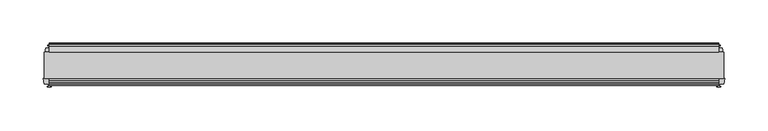
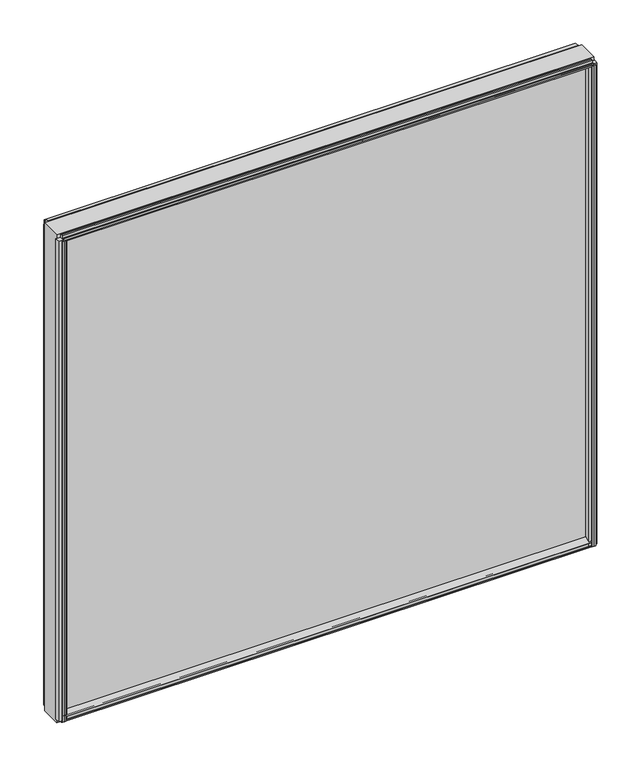
"""IFC4 building model written with IfcOpenShell, lengths in millimetres: plate geometry."""

from ifc_helpers import new_model, si_unit, point, frame, frame_2d, origin, place, context, project, spatial, polyline, circle_curve, trimmed, segment, composite_curve, outline, extrude, source, transform, mapped, element, save


def plate_e9ef4b92(model_context):
    return source(origin(), model_context, "Body", "SweptSolid", [
        extrude(outline(polyline([(391.2639207, 0.0611188), (391.2639207, -30.0632812), (-391.2639207, -30.0632812), (-391.2639207, 0.0611188), (391.2639207, 0.0611188)])), frame((0.0, 0.0, -58.7375), z_axis=(0.0, 0.0, 1.0), x_axis=(1.0, 0.0, 0.0)), (0.0, 0.0, 1.0), 750.3540496),
        extrude(outline(composite_curve([segment(trimmed(circle_curve(frame_2d((-41.7454527, -34.1259322)), 13.9851882), [point((-38.0894713, -47.6247947))], [point((-30.0632812, -41.8143883))], True, "CARTESIAN"), True, "CONTINUOUS"), segment(polyline([(-30.0632812, -41.8143883), (-30.0632812, -55.833196)]), True, "CONTINUOUS"), segment(trimmed(circle_curve(frame_2d((-32.4889803, -55.79473)), 2.426004), [point((-30.0632812, -55.833196))], [point((-34.9146812, -55.8330719))], False, "CARTESIAN"), True, "CONTINUOUS"), segment(polyline([(-34.9146812, -55.8330719), (-34.9146812, -54.9531779), (-36.4893116, -49.1996356), (-34.9145116, -49.1996759), (-34.9144914, -48.4122759)]), True, "CONTINUOUS"), segment(trimmed(circle_curve(frame_2d((-35.7018914, -48.4122558)), 0.7874), [point((-34.9144914, -48.4122759))], [point((-35.7018713, -47.6248558))], True, "CARTESIAN"), True, "CONTINUOUS"), segment(polyline([(-35.7018713, -47.6248558), (-38.0894713, -47.6247947)]), True, "CONTINUOUS")], self_intersect=False)), frame((-385.7076707, 0.0, 0.0), z_axis=(1.0, 0.0, 0.0), x_axis=(0.0, 1.0, 0.0)), (0.0, 0.0, 1.0), 771.4153414),
        extrude(outline(polyline([(9.5127411, -54.765847), (6.7966845, -55.2581642), (6.7966845, -59.5535134), (0.0611188, -60.7716842), (0.0611188, -47.2613597), (6.7876001, -48.4256079), (6.7876001, -52.7181804), (9.5071088, -53.1910571), (9.2468356, -51.6382), (10.0601029, -51.6382), (10.4751188, -53.975), (10.0773238, -56.3118), (9.2649806, -56.3118), (9.5127411, -54.765847)])), frame((-385.7076707, 0.0, 0.0), z_axis=(1.0, 0.0, 0.0), x_axis=(0.0, 1.0, 0.0)), (0.0, 0.0, 1.0), 771.4153414),
        extrude(outline(polyline([(386.4598636, -39.5092713), (388.0083453, -39.2497314), (388.0112522, -40.0625262), (385.6759207, -40.4772812), (383.3376821, -40.0792415), (383.3376821, -39.2664467), (384.8850737, -39.5149036), (384.392748, -36.7987999), (380.1141212, -36.7987999), (378.9208207, -30.0632812), (392.4310207, -30.0632812), (391.2420412, -36.7744101), (386.9354098, -36.7744101), (386.4598636, -39.5092713)])), frame((0.0, 0.0, -53.18125), z_axis=(0.0, 0.0, 1.0), x_axis=(1.0, 0.0, 0.0)), (0.0, 0.0, 1.0), 739.2415496),
        extrude(outline(polyline([(384.1299778, 7.5513088), (382.5814961, 7.2917689), (382.5785891, 8.1045637), (384.9139207, 8.5193188), (387.2521592, 8.121279), (387.2521592, 7.3084842), (385.7047677, 7.5569411), (386.1970934, 4.8408374), (389.6880616, 4.8408374), (390.2168762, 2.5845617), (389.6837545, 0.0611188), (380.1440869, 0.0611188), (379.6109651, 2.5845617), (380.1387207, 4.8363188), (383.6578868, 4.8363188), (384.1299778, 7.5513088)])), frame((0.0, 0.0, -53.18125), z_axis=(0.0, 0.0, 1.0), x_axis=(1.0, 0.0, 0.0)), (0.0, 0.0, 1.0), 739.2415496),
        extrude(outline(polyline([(-386.4598636, -39.5092713), (-386.9354098, -36.7744101), (-391.2420412, -36.7744101), (-392.4310207, -30.0632812), (-378.9208207, -30.0632812), (-380.1141212, -36.7987999), (-384.392748, -36.7987999), (-384.8850737, -39.5149036), (-383.3376821, -39.2664467), (-383.3376821, -40.0792415), (-385.6759207, -40.4772812), (-388.0112522, -40.0625262), (-388.0083453, -39.2497314), (-386.4598636, -39.5092713)])), frame((0.0, 0.0, -53.18125), z_axis=(0.0, 0.0, 1.0), x_axis=(1.0, 0.0, 0.0)), (0.0, 0.0, 1.0), 739.2415496),
        extrude(outline(polyline([(-384.1299778, 7.5513088), (-383.6578868, 4.8363188), (-380.1387207, 4.8363188), (-379.6109651, 2.5845617), (-380.1440869, 0.0611188), (-389.6837545, 0.0611188), (-390.2168762, 2.5845617), (-389.6880616, 4.8408374), (-386.1970934, 4.8408374), (-385.7047677, 7.5569411), (-387.2521592, 7.3084842), (-387.2521592, 8.121279), (-384.9139207, 8.5193188), (-382.5785891, 8.1045637), (-382.5814961, 7.2917689), (-384.1299778, 7.5513088)])), frame((0.0, 0.0, -53.18125), z_axis=(0.0, 0.0, 1.0), x_axis=(1.0, 0.0, 0.0)), (0.0, 0.0, 1.0), 739.2415496),
        extrude(outline(polyline([(9.5071088, 686.8124925), (9.2475689, 688.3609742), (10.0603637, 688.3638812), (10.4751187, 686.0285496), (10.077079, 683.6903111), (9.2642842, 683.6903111), (9.5127411, 685.2377026), (6.7966374, 684.7453769), (6.7966374, 680.4667502), (0.0611187, 679.2734496), (0.0611187, 692.7836496), (6.7722476, 691.5946701), (6.7722476, 687.2880387), (9.5071088, 686.8124925)])), frame((-385.7076707, 0.0, 0.0), z_axis=(1.0, 0.0, 0.0), x_axis=(0.0, 1.0, 0.0)), (0.0, 0.0, 1.0), 771.4153414),
        extrude(outline(polyline([(-37.5534713, 685.2446067), (-37.2939314, 683.6961251), (-38.1067262, 683.6932181), (-38.5214812, 686.0285496), (-38.1234415, 688.3667882), (-37.3106467, 688.3667882), (-37.5591036, 686.8193967), (-34.8429999, 687.3117224), (-34.8429999, 690.8026906), (-32.5867242, 691.3315052), (-30.0632812, 690.7983834), (-30.0632812, 681.2587158), (-32.5867242, 680.7255941), (-34.8384812, 681.2533496), (-34.8384812, 684.7725158), (-37.5534713, 685.2446067)])), frame((-385.7076707, 0.0, 0.0), z_axis=(1.0, 0.0, 0.0), x_axis=(0.0, 1.0, 0.0)), (0.0, 0.0, 1.0), 771.4153414),
    ])


if __name__ == "__main__":
    model = new_model("IFC4")
    model_context = context("Model", 3, world=origin())
    ifc_project = project(units=[si_unit("LENGTHUNIT", "METRE", prefix="MILLI")], contexts=[model_context])
    site = spatial("IfcSite", under=ifc_project)
    building = spatial("IfcBuilding", under=site)
    placement = place(None, origin())
    plate_shape = plate_e9ef4b92(model_context)
    element("IfcPlate", 1, at=placement, inside=building, context=model_context, shape_type="MappedRepresentation", body=[
        mapped(plate_shape, transform((0.0, 0.0, 0.0), x_axis=(1.0, 0.0, 0.0), y_axis=(0.0, 1.0, 0.0), z_axis=(0.0, 0.0, 1.0))),
    ])
    save(model, "model.ifc")
